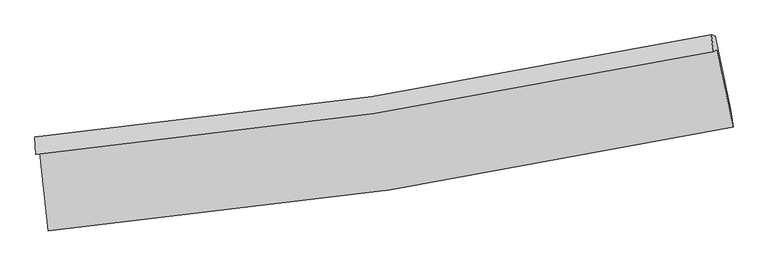
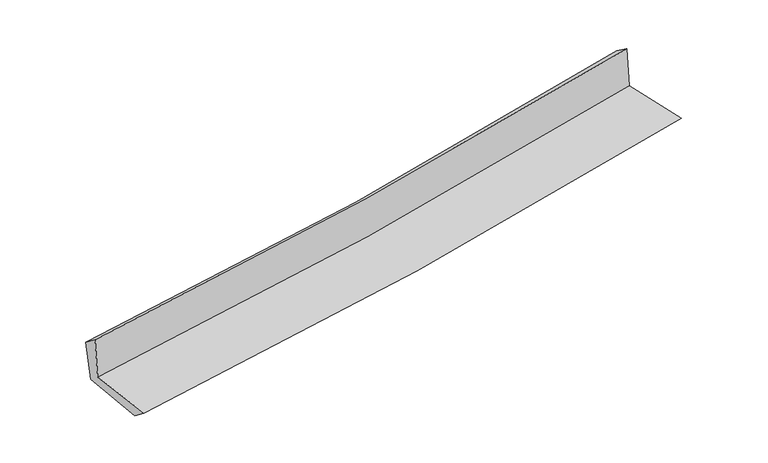
"""IFC4 building model written with IfcOpenShell, lengths in millimetres: proxy geometry."""

from ifc_helpers import new_model, si_unit, frame, origin, place, context, project, spatial, source, transform, mapped, element, save
from ifc_brep_helpers import plane_surface, spline_curve, spline_surface, advanced_brep


def generic_models_e054ba65(model_context):
    return source(origin(), model_context, "Body", "AdvancedBrep", [
        advanced_brep(
        [(-2904.3541506, -1901.1108426, 1625.7170946), (-2831.0742069, -2567.5610667, 1626.2596149), (2994.1076936, -1682.2532041, 2132.8386699), (2860.9210557, -1023.0338877, 2121.9042494), (-2938.9624207, -1917.3979335, 2038.0816002), (2826.9914985, -1039.1256426, 2529.5013593), (-2945.1248537, -1768.6097397, 1922.4351951), (2807.196802, -896.9948209, 2429.4107628), (-2909.0895145, -1787.8407917, 1538.175846), (2844.0528794, -909.0803384, 2052.5873356), (-2837.6579499, -2418.1095273, 1514.5592293), (2974.950219, -1540.8148101, 2027.3111408)],
        [
            (0, 1),
            (1, 2, spline_curve(3, [(-2831.0742069, -2567.5610667, 1626.2596149), (-1858.918908185, -2480.172292334, 1715.945410506), (-890.783861354, -2363.426646932, 1802.727805073), (1051.057761383, -2069.15883864, 1971.670053025), (2024.650014982, -1890.801863191, 2053.747343609), (2994.1076936, -1682.2532041, 2132.8386699)], [4, 2, 4], [0.0, 9.588675531591456, 19.312730553949613])),
            (2, 3),
            (3, 0, spline_curve(3, [(2860.9210557, -1023.0338877, 2121.9042494), (1901.98333985, -1229.101099224, 2042.918917254), (938.676655932, -1405.614995021, 1961.772427476), (-983.202550201, -1697.490151698, 1796.316952043), (-1941.654267839, -1813.668574291, 1712.067723522), (-2904.3541506, -1901.1108426, 1625.7170946)], [4, 2, 4], [0.0, 9.724055022358158, 19.312730553949613])),
            (4, 0),
            (3, 5),
            (5, 4, spline_curve(3, [(2826.9914985, -1039.1256426, 2529.5013593), (1867.508813459, -1245.391407419, 2456.382420002), (903.874199364, -1422.020390985, 2378.551437898), (-1018.225243008, -1713.958351885, 2214.614561658), (-1976.575268762, -1830.08679871, 2128.638957309), (-2938.9624207, -1917.3979335, 2038.0816002)], [4, 2, 4], [0.0, 9.673895548901802, 19.213109933399515])),
            (6, 4),
            (5, 7),
            (7, 6, spline_curve(3, [(2807.196802, -896.9948209, 2429.4107628), (1850.894717865, -1103.181101177, 2345.962105262), (889.991261151, -1279.208034971, 2261.687913636), (-1027.576520492, -1568.912422331, 2092.673231217), (-1984.113615828, -1683.423794951, 2007.955566968), (-2945.1248537, -1768.6097397, 1922.4351951)], [4, 2, 4], [0.0, 9.663404880719423, 19.192274649408287])),
            (8, 6),
            (7, 9),
            (9, 8, spline_curve(3, [(2844.0528794, -909.0803384, 2052.5873356), (1887.129563561, -1114.186766825, 1970.33544534), (925.848311217, -1290.281397852, 1886.027064939), (-991.986318789, -1582.399360829, 1714.499705423), (-1948.419197687, -1699.224880694, 1627.337589557), (-2909.0895145, -1787.8407917, 1538.175846)], [4, 2, 4], [0.0, 9.654553339398348, 19.17469479901377])),
            (10, 8),
            (9, 11),
            (11, 10, spline_curve(3, [(2974.950219, -1540.8148101, 2027.3111408), (2007.731919755, -1746.416087952, 1943.122567642), (1036.31405945, -1922.632546535, 1857.992877502), (-901.338116249, -2214.251616118, 1687.04955127), (-1867.456312713, -2330.466730153, 1601.261937644), (-2837.6579499, -2418.1095273, 1514.5592293)], [4, 2, 4], [0.0, 9.704545601140088, 19.273983324076706])),
            (1, 10),
            (11, 2),
        ],
        [
            spline_surface(3, 3, [[(-2904.3541506, -1901.1108426, 1625.7170946), (-1941.654267994, -1813.668574248, 1712.067723651), (-983.202550101, -1697.490151704, 1796.316952176), (938.676655831, -1405.614995015, 1961.772427341), (1901.983340009, -1229.101099262, 2042.918917113), (2860.9210557, -1023.0338877, 2121.9042494)], [(-2879.927502712, -2123.260917315, 1625.89793467), (-1914.075814737, -2035.836480267, 1713.360285899), (-952.396320553, -1919.468983434, 1798.453903116), (976.137024373, -1626.796276267, 1965.071635954), (1942.872231615, -1449.668020611, 2046.528392621), (2905.316601657, -1242.77365984, 2125.549056235)], [(-2855.500854788, -2345.410991985, 1626.07877483), (-1886.497361443, -2258.004386241, 1714.652848237), (-921.59009099, -2141.447815118, 1800.590854019), (1013.597392929, -1847.977557473, 1968.370844529), (1983.761123252, -1670.234941942, 2050.137868125), (2949.712147643, -1462.51343196, 2129.193863065)], [(-2831.0742069, -2567.5610667, 1626.2596149), (-1858.918908186, -2480.17229226, 1715.945410485), (-890.783861441, -2363.426646848, 1802.727804959), (1051.057761471, -2069.158838725, 1971.670053141), (2024.650014859, -1890.801863291, 2053.747343634), (2994.1076936, -1682.2532041, 2132.8386699)]], [4, 4], [4, 2, 4], [0.0, 2.2068090624604513], [0.0, 9.588675531591456, 19.312730553949613]),
            spline_surface(3, 3, [[(-2938.9624207, -1917.3979335, 2038.0816002), (-1976.575268719, -1830.086798644, 2128.638957433), (-1018.225242977, -1713.958351849, 2214.614561602), (903.874199333, -1422.020391022, 2378.551437955), (1867.508813328, -1245.391407513, 2456.382420124), (2826.9914985, -1039.1256426, 2529.5013593)], [(-2927.426330686, -1911.9689032, 1900.626765029), (-1964.934935163, -1824.614057179, 1989.781879534), (-1006.55101203, -1708.468951792, 2075.182025144), (915.475018155, -1416.551925678, 2239.625101101), (1879.000322219, -1239.961304759, 2318.561252454), (2838.301350898, -1033.761724296, 2393.635656)], [(-2915.890240614, -1906.5398729, 1763.171929771), (-1953.29460155, -1819.141315713, 1850.924801549), (-994.876781049, -1702.979551761, 1935.749488634), (927.075837009, -1411.083460359, 2100.698764195), (1890.491831117, -1234.531202016, 2180.740084783), (2849.611203302, -1028.397806004, 2257.7699527)], [(-2904.3541506, -1901.1108426, 1625.7170946), (-1941.654267994, -1813.668574248, 1712.067723651), (-983.202550101, -1697.490151704, 1796.316952176), (938.676655831, -1405.614995015, 1961.772427341), (1901.983340009, -1229.101099262, 2042.918917113), (2860.9210557, -1023.0338877, 2121.9042494)]], [4, 4], [4, 2, 4], [0.0, 1.3756776171119636], [0.0, 9.539214384497713, 19.213109933399515]),
            spline_surface(3, 3, [[(-2945.1248537, -1768.6097397, 1922.4351951), (-1984.113615724, -1683.423795091, 2007.955567004), (-1027.576520563, -1568.912422477, 2092.673231284), (889.991261223, -1279.208034824, 2261.687913568), (1850.894717971, -1103.181101183, 2345.962105142), (2807.196802, -896.9948209, 2429.4107628)], [(-2943.070709344, -1818.205804299, 1960.983996798), (-1981.600833366, -1732.311462941, 2048.183363811), (-1024.459428018, -1617.261065607, 2133.320341377), (894.618907276, -1326.812153562, 2300.642421684), (1856.432749783, -1150.584536634, 2382.768876791), (2813.795034193, -944.371761474, 2462.774294955)], [(-2941.016565056, -1867.801868901, 1999.532798502), (-1979.088051077, -1781.199130794, 2088.411160625), (-1021.342335522, -1665.609708719, 2173.967451509), (899.24655328, -1374.416272283, 2339.596929839), (1861.970781516, -1197.987972062, 2419.575648475), (2820.393266307, -991.748702026, 2496.137827145)], [(-2938.9624207, -1917.3979335, 2038.0816002), (-1976.575268719, -1830.086798644, 2128.638957433), (-1018.225242977, -1713.958351849, 2214.614561602), (903.874199333, -1422.020391022, 2378.551437955), (1867.508813328, -1245.391407513, 2456.382420124), (2826.9914985, -1039.1256426, 2529.5013593)]], [4, 4], [4, 2, 4], [0.0, 0.6146223997812557], [0.0, 9.528869768688864, 19.192274649408287]),
            spline_surface(3, 3, [[(-2909.0895145, -1787.8407917, 1538.175846), (-1948.419197779, -1699.224880582, 1627.33758949), (-991.986318833, -1582.399360692, 1714.499705512), (925.848311262, -1290.281397992, 1886.027064849), (1887.129563581, -1114.186766773, 1970.335445398), (2844.0528794, -909.0803384, 2052.5873356)], [(-2921.101294229, -1781.430441029, 1666.262295679), (-1960.31733709, -1693.957852081, 1754.21024864), (-1003.849719413, -1577.903714627, 1840.557547436), (913.895961245, -1286.590276943, 2011.247347755), (1875.051281693, -1110.518211561, 2095.544332001), (2831.767520248, -905.051832551, 2178.195144688)], [(-2933.113073971, -1775.020090371, 1794.348745421), (-1972.215476413, -1688.690823592, 1881.082907853), (-1015.713119982, -1573.408068541, 1966.61538936), (901.94361124, -1282.899155872, 2136.467630662), (1862.97299986, -1106.849656395, 2220.753218539), (2819.482161152, -901.023326749, 2303.802953712)], [(-2945.1248537, -1768.6097397, 1922.4351951), (-1984.113615724, -1683.423795091, 2007.955567004), (-1027.576520563, -1568.912422477, 2092.673231284), (889.991261223, -1279.208034824, 2261.687913568), (1850.894717971, -1103.181101183, 2345.962105142), (2807.196802, -896.9948209, 2429.4107628)]], [4, 4], [4, 2, 4], [0.0, 1.2427418259301306], [0.0, 9.520141459615424, 19.17469479901377]),
            spline_surface(3, 3, [[(-2837.6579499, -2418.1095273, 1514.5592293), (-1867.456312603, -2330.466730168, 1601.261937674), (-901.338116355, -2214.251616217, 1687.049551326), (1036.314059558, -1922.632546435, 1857.992877446), (2007.731919627, -1746.416087986, 1943.122567617), (2974.950219, -1540.8148101, 2027.3111408)], [(-2861.468471462, -2208.019948762, 1522.431434875), (-1894.443941024, -2120.052780301, 1609.953821621), (-931.554183842, -2003.634197707, 1696.199602728), (999.492143465, -1711.848830285, 1867.337606587), (1967.531134275, -1535.672980915, 1952.193526862), (2931.317772464, -1330.236652867, 2035.736539051)], [(-2885.278992938, -1997.930370238, 1530.303640425), (-1921.431569358, -1909.638830449, 1618.645705543), (-961.770251346, -1793.016779202, 1705.34965411), (962.670227356, -1501.065114141, 1876.682335708), (1927.330348933, -1324.929873844, 1961.264486154), (2887.685325936, -1119.658495633, 2044.161937349)], [(-2909.0895145, -1787.8407917, 1538.175846), (-1948.419197779, -1699.224880582, 1627.33758949), (-991.986318833, -1582.399360692, 1714.499705512), (925.848311262, -1290.281397992, 1886.027064849), (1887.129563581, -1114.186766773, 1970.335445398), (2844.0528794, -909.0803384, 2052.5873356)]], [4, 4], [4, 2, 4], [0.0, 2.1019571501045373], [0.0, 9.569437722936618, 19.273983324076706]),
            spline_surface(3, 3, [[(-2831.0742069, -2567.5610667, 1626.2596149), (-1858.918908186, -2480.17229226, 1715.945410485), (-890.783861441, -2363.426646848, 1802.727804959), (1051.057761471, -2069.158838725, 1971.670053141), (2024.650014859, -1890.801863291, 2053.747343634), (2994.1076936, -1682.2532041, 2132.8386699)], [(-2833.268787867, -2517.743886895, 1589.02615305), (-1861.764709625, -2430.270438225, 1677.717586231), (-894.301946414, -2313.701636619, 1764.168387058), (1046.143194165, -2020.316741276, 1933.77766122), (2019.010649789, -1842.673271528, 2016.872418299), (2987.721868741, -1635.107072772, 2097.662826871)], [(-2835.463368933, -2467.926707105, 1551.79269115), (-1864.610511163, -2380.368584203, 1639.489761928), (-897.820031382, -2263.976626446, 1725.608969226), (1041.228626864, -1971.474643883, 1895.885269367), (2013.371284696, -1794.544679749, 1979.997492952), (2981.336043859, -1587.960941428, 2062.486983829)], [(-2837.6579499, -2418.1095273, 1514.5592293), (-1867.456312603, -2330.466730168, 1601.261937674), (-901.338116355, -2214.251616217, 1687.049551326), (1036.314059558, -1922.632546435, 1857.992877446), (2007.731919627, -1746.416087986, 1943.122567617), (2974.950219, -1540.8148101, 2027.3111408)]], [4, 4], [4, 2, 4], [0.0, 0.6152141457150673], [0.0, 9.627641593787034, 19.391212827904166]),
            plane_surface(frame((2884.703358, -1181.883784, 2215.592253), z_axis=(0.9760093719658414, 0.19866763861474643, 0.08908914188656464), x_axis=(-0.09729324057927798, 0.03190353524633005, 0.9947442836108027))),
            plane_surface(frame((-2894.3771827, -2060.1049836, 1710.87143), z_axis=(-0.99019704666619, -0.10894887739115752, -0.08740681259925784), x_axis=(-0.10929685074609911, 0.9940088247419681, -0.0008091675206465535))),
        ],
        [
            (0, [[1, 2, 3, 4]]),
            (1, [[5, -4, 6, 7]]),
            (2, [[8, -7, 9, 10]]),
            (3, [[11, -10, 12, 13]]),
            (4, [[14, -13, 15, 16]]),
            (5, [[17, -16, 18, -2]]),
            (6, [[-12, -9, -6, -3, -18, -15]]),
            (7, [[-1, -5, -8, -11, -14, -17]]),
        ],
    ),
    ])


if __name__ == "__main__":
    model = new_model("IFC4")
    model_context = context("Model", 3, world=origin())
    ifc_project = project(units=[si_unit("LENGTHUNIT", "METRE", prefix="MILLI")], contexts=[model_context])
    site = spatial("IfcSite", under=ifc_project)
    building = spatial("IfcBuilding", under=site)
    placement = place(None, origin())
    generic_models_shape = generic_models_e054ba65(model_context)
    element("IfcBuildingElementProxy", 1, Name="Generic Models", at=placement, inside=building, context=model_context, shape_type="MappedRepresentation", body=[
        mapped(generic_models_shape, transform((0.0, 0.0, 0.0), x_axis=(1.0, 0.0, 0.0), y_axis=(0.0, 1.0, 0.0), z_axis=(0.0, 0.0, 1.0))),
    ])
    save(model, "model.ifc")
